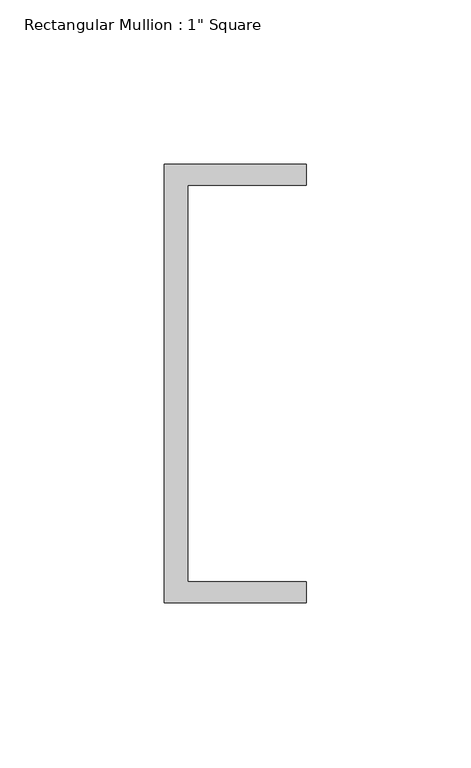
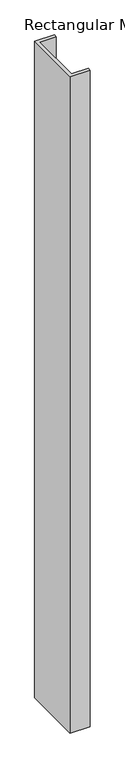
"""IFC4 building model written with IfcOpenShell, lengths in millimetres: member geometry."""

from ifc_helpers import new_model, si_unit, frame, origin, place, context, project, spatial, polyline, outline, extrude, source, transform, mapped, element, save


def member_b2e24aac(model_context):
    return source(origin(), model_context, "Body", "SweptSolid", [
        extrude(outline(polyline([(-18.6549463, 135.2608739), (24.5675083, 135.2608739), (24.5675083, 128.9108739), (-11.6110886, 128.9108739), (-11.6110886, 8.2608739), (24.5675083, 8.2608739), (24.5675083, 1.9108739), (-18.6549463, 1.9108739), (-18.6549463, 135.2608739)])), frame((0.0, 0.0, -1508.3498001), z_axis=(0.0, 0.0, 1.0), x_axis=(1.0, 0.0, 0.0)), (0.0, 0.0, 1.0), 1508.3498001),
    ])


if __name__ == "__main__":
    model = new_model("IFC4")
    model_context = context("Model", 3, world=origin())
    ifc_project = project(units=[si_unit("LENGTHUNIT", "METRE", prefix="MILLI")], contexts=[model_context])
    site = spatial("IfcSite", under=ifc_project)
    building = spatial("IfcBuilding", under=site)
    placement = place(None, origin())
    member_shape = member_b2e24aac(model_context)
    element("IfcMember", 1, ObjectType="Rectangular Mullion : 1\" Square", at=placement, inside=building, context=model_context, shape_type="MappedRepresentation", body=[
        mapped(member_shape, transform((0.0, 0.0, 0.0), x_axis=(1.0, 0.0, 0.0), y_axis=(0.0, 1.0, 0.0), z_axis=(0.0, 0.0, 1.0))),
    ])
    save(model, "model.ifc")
